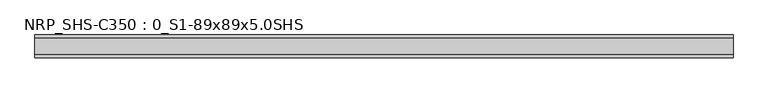
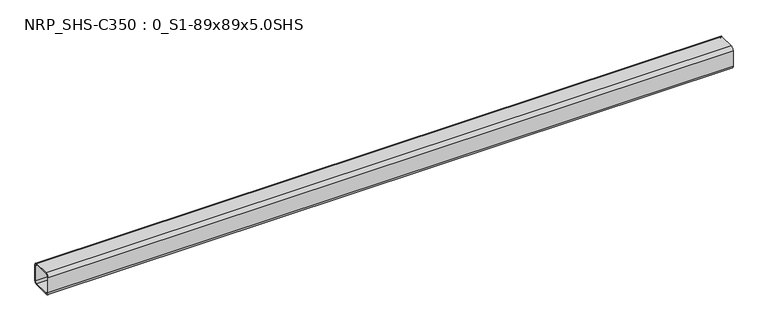
"""IFC4 building model written with IfcOpenShell, lengths in millimetres: beam geometry, NRP_SHS-C350 : 0_S1-89x89x5.0SHS."""

from ifc_helpers import new_model, si_unit, point, frame, frame_2d, origin, place, context, project, spatial, polyline, circle_curve, trimmed, segment, composite_curve, outline, extrude, source, transform, mapped, element, save


def nrp_shs_c350_0_s1_89x89x5_0shs_c2722639(model_context):
    return source(origin(), model_context, "Body", "SweptSolid", [
        extrude(outline(composite_curve([segment(trimmed(circle_curve(frame_2d((-32.0, 32.0)), 12.5), [point((-44.5, 32.0))], [point((-32.0, 44.5))], False, "CARTESIAN"), True, "CONTINUOUS"), segment(polyline([(-32.0, 44.5), (32.0, 44.5)]), True, "CONTINUOUS"), segment(trimmed(circle_curve(frame_2d((32.0, 32.0)), 12.5), [point((32.0, 44.5))], [point((44.5, 32.0))], False, "CARTESIAN"), True, "CONTINUOUS"), segment(polyline([(44.5, 32.0), (44.5, -32.0)]), True, "CONTINUOUS"), segment(trimmed(circle_curve(frame_2d((32.0, -32.0)), 12.5), [point((44.5, -32.0))], [point((32.0, -44.5))], False, "CARTESIAN"), True, "CONTINUOUS"), segment(polyline([(32.0, -44.5), (-32.0, -44.5)]), True, "CONTINUOUS"), segment(trimmed(circle_curve(frame_2d((-32.0, -32.0)), 12.5), [point((-32.0, -44.5))], [point((-44.5, -32.0))], False, "CARTESIAN"), True, "CONTINUOUS"), segment(polyline([(-44.5, -32.0), (-44.5, 32.0)]), True, "CONTINUOUS")], self_intersect=False), holes=[composite_curve([segment(polyline([(32.0, 39.5), (-32.0, 39.5)]), True, "CONTINUOUS"), segment(trimmed(circle_curve(frame_2d((-32.0, 32.0)), 7.5), [point((-32.0, 39.5))], [point((-39.5, 32.0))], True, "CARTESIAN"), True, "CONTINUOUS"), segment(polyline([(-39.5, 32.0), (-39.5, -32.0)]), True, "CONTINUOUS"), segment(trimmed(circle_curve(frame_2d((-32.0, -32.0)), 7.5), [point((-39.5, -32.0))], [point((-32.0, -39.5))], True, "CARTESIAN"), True, "CONTINUOUS"), segment(polyline([(-32.0, -39.5), (32.0, -39.5)]), True, "CONTINUOUS"), segment(trimmed(circle_curve(frame_2d((32.0, -32.0)), 7.5), [point((32.0, -39.5))], [point((39.5, -32.0))], True, "CARTESIAN"), True, "CONTINUOUS"), segment(polyline([(39.5, -32.0), (39.5, 32.0)]), True, "CONTINUOUS"), segment(trimmed(circle_curve(frame_2d((32.0, 32.0)), 7.5), [point((39.5, 32.0))], [point((32.0, 39.5))], True, "CARTESIAN"), True, "CONTINUOUS")], self_intersect=False)]), frame((-1344.5, 0.0, 0.0), z_axis=(1.0, 0.0, 0.0), x_axis=(0.0, 1.0, 0.0)), (0.0, 0.0, 1.0), 2712.0),
    ])


if __name__ == "__main__":
    model = new_model("IFC4")
    model_context = context("Model", 3, world=origin())
    ifc_project = project(units=[si_unit("LENGTHUNIT", "METRE", prefix="MILLI")], contexts=[model_context])
    site = spatial("IfcSite", under=ifc_project)
    building = spatial("IfcBuilding", under=site)
    placement = place(None, origin())
    nrp_shs_c350_0_s1_89x89x5_0shs_shape = nrp_shs_c350_0_s1_89x89x5_0shs_c2722639(model_context)
    element("IfcBeam", 1, ObjectType="NRP_SHS-C350 : 0_S1-89x89x5.0SHS", at=placement, inside=building, context=model_context, shape_type="MappedRepresentation", body=[
        mapped(nrp_shs_c350_0_s1_89x89x5_0shs_shape, transform((0.0, 0.0, 0.0), x_axis=(1.0, 0.0, 0.0), y_axis=(0.0, 1.0, 0.0), z_axis=(0.0, 0.0, 1.0))),
    ])
    save(model, "model.ifc")
